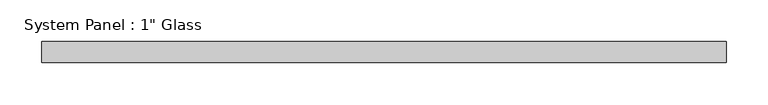
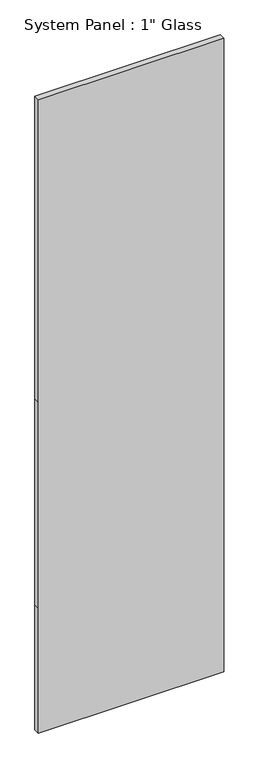
"""IFC4 building model written with IfcOpenShell, lengths in millimetres: plate geometry."""

import ifcopenshell
import ifcopenshell.guid

model = None  # the IFC model being written
_history = None  # IfcOwnerHistory: only IFC2X3 demands one
_inside = {}  # id of a spatial element -> (the spatial element, [elements in it])
_under = {}  # id of a project, library or spatial element -> (it, [spatial elements below it])
_declared = {}  # id of a project -> (the project, [libraries it declares])
_typed = {}  # id of a type object -> (the type object, [elements of that type])
_made_of = {}  # id of a material, layer set ... -> (it, [elements and type objects made of it])


def new_model(schema):
    """Start an empty IFC model of exactly this schema.

    Asked for "IFC4X3", IfcOpenShell would pick the latest addendum, in which some entities
    have other attributes; the version numbers below select the first issue.
    IFC2X3 requires an IfcOwnerHistory on every rooted entity: one is made here for all.
    """
    global model, _history
    if schema == "IFC4X3":
        model = ifcopenshell.file(schema_version=(4, 3, 0, 0))
    else:
        model = ifcopenshell.file(schema=schema)
    _inside.clear()
    _under.clear()
    _declared.clear()
    _typed.clear()
    _made_of.clear()
    _history = None
    if model.schema == "IFC2X3":
        org = make("IfcOrganization", Name="unknown")
        user = make(
            "IfcPersonAndOrganization",
            ThePerson=make("IfcPerson", FamilyName="unknown"),
            TheOrganization=org,
        )
        app = make(
            "IfcApplication",
            ApplicationDeveloper=org,
            Version="unknown",
            ApplicationFullName="unknown",
            ApplicationIdentifier="unknown",
        )
        _history = make(
            "IfcOwnerHistory",
            OwningUser=user,
            OwningApplication=app,
            ChangeAction="ADDED",
            CreationDate=0,
        )
    return model


def make(cls, **values):
    """One entity of the class cls with the attributes given. An attribute that is None is left unset."""
    return model.create_entity(
        cls, **{name: value for name, value in values.items() if value is not None}
    )


def rooted(cls, **values):
    """An entity with a GlobalId (a new one), such as an element, a storey or a relation."""
    return make(cls, GlobalId=ifcopenshell.guid.new(), OwnerHistory=_history, **values)


def si_unit(unit_type, name, prefix=None):
    """IfcSIUnit, for example si_unit("LENGTHUNIT", "METRE", prefix="MILLI")."""
    return make("IfcSIUnit", UnitType=unit_type, Prefix=prefix, Name=name)


def assignment(units):
    """IfcUnitAssignment: the units of a project."""
    return None if units is None else make("IfcUnitAssignment", Units=units)


def point(xyz):
    """IfcCartesianPoint."""
    return None if xyz is None else make("IfcCartesianPoint", Coordinates=xyz)


def direction(xyz):
    """IfcDirection."""
    return None if xyz is None else make("IfcDirection", DirectionRatios=xyz)


def frame(location, z_axis=None, x_axis=None):
    """IfcAxis2Placement3D, a coordinate frame: its origin and axes. An axis left out is left unset."""
    return make(
        "IfcAxis2Placement3D",
        Location=point(location),
        Axis=direction(z_axis),
        RefDirection=direction(x_axis),
    )


def origin():
    """The frame at (0, 0, 0) with its axes left unset."""
    return frame((0.0, 0.0, 0.0))


def place(relative_to, where):
    """IfcLocalPlacement: puts the frame where relative to a parent placement (None: the world)."""
    return make(
        "IfcLocalPlacement", PlacementRelTo=relative_to, RelativePlacement=where
    )


def context(
    kind, dimensions, precision=None, world=None, true_north=None, identifier=None
):
    """IfcGeometricRepresentationContext, for example the 3D "Model" context."""
    return make(
        "IfcGeometricRepresentationContext",
        ContextIdentifier=identifier,
        ContextType=kind,
        CoordinateSpaceDimension=dimensions,
        Precision=precision,
        WorldCoordinateSystem=world,
        TrueNorth=true_north,
    )


def project(units=None, contexts=None):
    """IfcProject with its units and contexts."""
    return rooted(
        "IfcProject",
        Name="project",
        RepresentationContexts=contexts,
        UnitsInContext=assignment(units),
    )


def spatial(cls, under=None, at=None, **own):
    """A site, building, storey or space (cls), placed at a placement, below another one or the project."""
    s = rooted(cls, ObjectPlacement=at, **own)
    if under is not None:
        _under.setdefault(under.id(), (under, []))[1].append(s)
    return s


def polyline(points):
    """IfcPolyline through the points."""
    return make("IfcPolyline", Points=[point(p) for p in points])


def outline(outer, holes=None, kind="AREA"):
    """IfcArbitraryClosedProfileDef: a profile drawn as a closed curve; with holes, ...WithVoids."""
    if holes is None:
        return make("IfcArbitraryClosedProfileDef", ProfileType=kind, OuterCurve=outer)
    return make(
        "IfcArbitraryProfileDefWithVoids",
        ProfileType=kind,
        OuterCurve=outer,
        InnerCurves=holes,
    )


def extrude(swept, where, along, depth):
    """IfcExtrudedAreaSolid: the profile swept, set in the frame where, extruded along a direction by depth."""
    return make(
        "IfcExtrudedAreaSolid",
        SweptArea=swept,
        Position=where,
        ExtrudedDirection=direction(along),
        Depth=depth,
    )


def shape(context_of_items, identifier, shape_type, items):
    """IfcShapeRepresentation: the items that make up one representation, for example the "Body"."""
    return make(
        "IfcShapeRepresentation",
        ContextOfItems=context_of_items,
        RepresentationIdentifier=identifier,
        RepresentationType=shape_type,
        Items=items,
    )


def source(mapping_origin, context_of_items, identifier, shape_type, items):
    """IfcRepresentationMap: a shape defined once, which mapped items show again and again."""
    return make(
        "IfcRepresentationMap",
        MappingOrigin=mapping_origin,
        MappedRepresentation=shape(context_of_items, identifier, shape_type, items),
    )


def transform(
    local_origin,
    x_axis=None,
    y_axis=None,
    z_axis=None,
    scale=None,
    scale2=None,
    scale3=None,
    uniform=True,
):
    """IfcCartesianTransformationOperator3D, or its non-uniform kind. x_axis, y_axis, z_axis: its Axis1, 2, 3."""
    if uniform:
        return make(
            "IfcCartesianTransformationOperator3D",
            Axis1=direction(x_axis),
            Axis2=direction(y_axis),
            LocalOrigin=point(local_origin),
            Scale=scale,
            Axis3=direction(z_axis),
        )
    return make(
        "IfcCartesianTransformationOperator3DnonUniform",
        Axis1=direction(x_axis),
        Axis2=direction(y_axis),
        LocalOrigin=point(local_origin),
        Scale=scale,
        Axis3=direction(z_axis),
        Scale2=scale2,
        Scale3=scale3,
    )


def mapped(mapping_source, mapping_target):
    """IfcMappedItem: shows the shape of a source again, moved by a transform."""
    return make(
        "IfcMappedItem", MappingSource=mapping_source, MappingTarget=mapping_target
    )


def made_of(thing, what):
    """Note that an element or type object is made of a material, layer set ...; save() writes the relation."""
    if what is not None:
        _made_of.setdefault(what.id(), (what, []))[1].append(thing)
    return thing


def element(
    cls,
    number,
    at=None,
    inside=None,
    cuts=None,
    type_object=None,
    material=None,
    context=None,
    identifier="Body",
    shape_type=None,
    held_by="IfcProductDefinitionShape",
    body=None,
    shapes=None,
    **own,
):
    """One element of the class cls, such as IfcWall. Its Tag is "e" and its number.

    at: its placement. inside: the storey or other place that contains it. cuts: it is an
    opening in that element (IfcRelVoidsElement). A single representation is given by context,
    identifier, shape_type and body (its items); several are given by shapes. held_by: the class
    of the entity that holds the representations. save() writes the other relations.
    """
    e = rooted(cls, Tag="e%d" % number, ObjectPlacement=at, **own)
    if body is not None:
        shapes = [shape(context, identifier, shape_type, body)]
    if shapes is not None:
        e.Representation = make(held_by, Representations=shapes)
    if inside is not None:
        _inside.setdefault(inside.id(), (inside, []))[1].append(e)
    if cuts is not None:
        rooted(
            "IfcRelVoidsElement", RelatingBuildingElement=cuts, RelatedOpeningElement=e
        )
    if type_object is not None:
        _typed.setdefault(type_object.id(), (type_object, []))[1].append(e)
    return made_of(e, material)


def aggregate(whole, parts):
    """IfcRelAggregates: a whole, such as a stair, and the parts it consists of."""
    return rooted("IfcRelAggregates", RelatingObject=whole, RelatedObjects=parts)


def save(model, path):
    """Write the relations noted so far, then the file.

    IfcRelAggregates (storeys below a building ...), IfcRelContainedInSpatialStructure (elements
    in a storey), IfcRelDefinesByType, IfcRelAssociatesMaterial and IfcRelDeclares: one each for
    every whole, place, type object, material and project.
    """
    for whole, parts in _under.values():
        aggregate(whole, parts)
    for where, things in _inside.values():
        rooted(
            "IfcRelContainedInSpatialStructure",
            RelatedElements=things,
            RelatingStructure=where,
        )
    for kind, things in _typed.values():
        rooted("IfcRelDefinesByType", RelatedObjects=things, RelatingType=kind)
    for what, things in _made_of.values():
        rooted("IfcRelAssociatesMaterial", RelatedObjects=things, RelatingMaterial=what)
    for by, libraries in _declared.values():
        rooted("IfcRelDeclares", RelatingContext=by, RelatedDefinitions=libraries)
    model.write(path)


def plate_7cfffab6(model_context):
    return source(origin(), model_context, "Body", "SweptSolid", [
        extrude(outline(polyline([(0.0, -410.0091185), (0.0, 410.0091185), (584.2, 410.0091185), (1546.225, 410.0091185), (2959.1, 410.0091185), (2959.1, -410.0091185), (1546.225, -410.0091185), (584.2, -410.0091185), (0.0, -410.0091185)])), frame((0.0, -12.7, 0.0), z_axis=(0.0, 1.0, 0.0), x_axis=(0.0, 0.0, 1.0)), (0.0, 0.0, 1.0), 25.4),
    ])


if __name__ == "__main__":
    model = new_model("IFC4")
    model_context = context("Model", 3, world=origin())
    ifc_project = project(units=[si_unit("LENGTHUNIT", "METRE", prefix="MILLI")], contexts=[model_context])
    site = spatial("IfcSite", under=ifc_project)
    building = spatial("IfcBuilding", under=site)
    placement = place(None, origin())
    plate_shape = plate_7cfffab6(model_context)
    element("IfcPlate", 1, ObjectType="System Panel : 1\" Glass", at=placement, inside=building, context=model_context, shape_type="MappedRepresentation", body=[
        mapped(plate_shape, transform((0.0, 0.0, 0.0), x_axis=(1.0, 0.0, 0.0), y_axis=(0.0, 1.0, 0.0), z_axis=(0.0, 0.0, 1.0))),
    ])
    save(model, "model.ifc")
